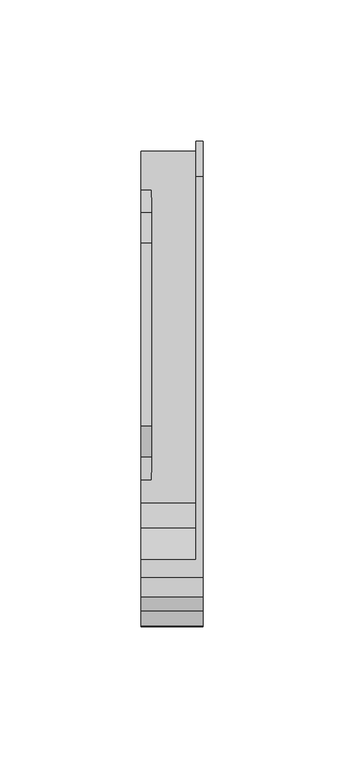
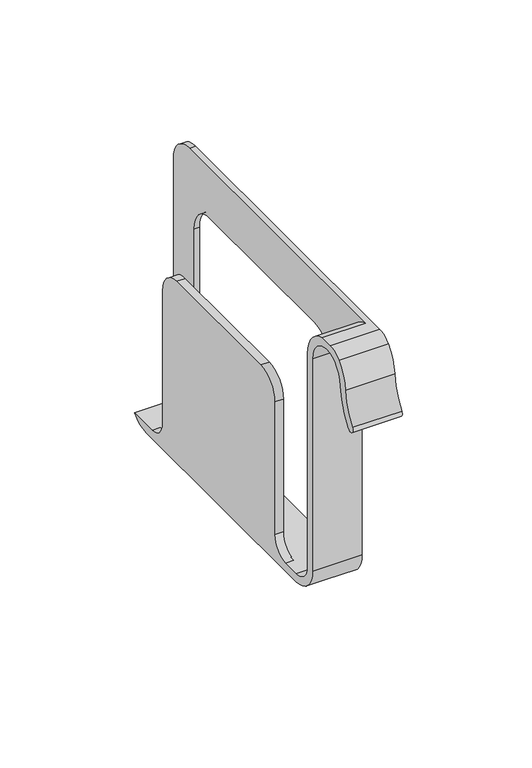
"""IFC4 building model written with IfcOpenShell, lengths in millimetres: furniture geometry."""

from ifc_helpers import new_model, si_unit, frame, origin, place, context, project, spatial, polyline, circle_curve, source, transform, mapped, element, save
from ifc_brep_helpers import plane_surface, cylinder_surface, revolved_surface, advanced_brep


def furniture_56dd7ac2(model_context):
    return source(origin(), model_context, "Body", "AdvancedBrep", [
        advanced_brep(
        [(21.9964, -154.6110809, 1098.5754), (21.9964, -161.4179468, 1095.7395591), (21.9964, -166.348011, 1084.6972927), (21.9964, -171.757145, 1070.4565716), (21.9964, -168.676332, 1068.2149894), (21.9964, -162.5550329, 1084.3374428), (21.9964, -158.3446231, 1093.4427327), (21.9964, -141.0551118, 1084.0894625), (21.9964, -141.0551118, 984.2754), (21.9964, -128.3551118, 971.5754), (21.9964, -12.7, 971.5754), (21.9964, 0.0, 984.2754), (21.9964, 0.0, 1085.8754), (21.9964, -12.7, 1098.5754), (21.9964, -15.6072642, 975.3854), (21.9964, -121.0305388, 975.3854), (21.9964, -121.0305388, 1062.2082191), (21.9964, -108.3305388, 1074.9082191), (21.9964, -28.3072642, 1074.9082191), (21.9964, -15.6072642, 1062.2082191), (0.0, -12.7, 971.5754), (0.0, -128.3551118, 971.5754), (0.0, -141.0551118, 984.2754), (0.0, -141.0551118, 1084.0894625), (0.0, -158.3446231, 1093.4427327), (0.0, -162.5550329, 1084.3374428), (0.0, -168.676332, 1068.2149894), (0.0, -171.757145, 1070.4565716), (0.0, -166.348011, 1084.6972927), (0.0, -161.4179468, 1095.7395591), (0.0, -154.6110809, 1098.5754), (0.0, -148.3958485, 1098.5754), (0.0, -137.2451118, 1084.0894625), (0.0, -137.2451118, 984.2754), (0.0, -128.3551118, 975.3854), (0.0, -120.1001118, 975.3854), (0.0, -111.8451118, 983.6404), (0.0, -111.8451118, 1046.1352859), (0.0, -101.0355977, 1056.9448), (0.0, -36.2095141, 1056.9448), (0.0, -25.4, 1046.1352859), (0.0, -25.4, 983.6404), (0.0, -17.145, 975.3854), (0.0, -3.6303859, 975.3854), (19.4762622, 0.0, 984.2754), (19.4762622, 0.0, 1085.8754), (19.4762622, -12.7, 1098.5754), (19.4762622, -148.3958485, 1098.5754), (19.4762622, -3.6303859, 975.3854), (19.4762622, -137.2451118, 984.2754), (19.4762622, -137.2451118, 1084.0894625), (19.4762622, -15.6072642, 975.3854), (19.4762622, -15.6072642, 1062.2082191), (19.4762622, -28.3072642, 1074.9082191), (19.4762622, -108.3305388, 1074.9082191), (19.4762622, -121.0305388, 1062.2082191), (19.4762622, -121.0305388, 975.3854), (19.4762622, -128.3551118, 975.3854), (3.8504817, -17.145, 975.3854), (3.8504817, -120.1001118, 975.3854), (3.8504817, -111.8451118, 983.6404), (3.8504817, -111.8451118, 1046.1352859), (3.8504817, -101.0355977, 1056.9448), (3.8504817, -36.2095141, 1056.9448), (3.8504817, -25.4, 1046.1352859), (3.8504817, -25.4, 983.6404)],
        [
            (0, 1, circle_curve(frame((21.9964, -154.6110809, 1088.9882231), z_axis=(1.0, 0.0, 0.0), x_axis=(0.0, 1.0, 0.0)), 9.5871769)),
            (1, 2, circle_curve(frame((21.9964, -147.6236522, 1082.9590897), z_axis=(1.0, 0.0, 0.0), x_axis=(0.0, 1.0, 0.0)), 18.8048653)),
            (2, 3, circle_curve(frame((21.9964, -195.1861849, 1087.5034086), z_axis=(-1.0, 0.0, 0.0), x_axis=(0.0, 1.0, 0.0)), 28.9743777)),
            (3, 4, circle_curve(frame((21.9964, -170.2167385, 1069.3357805), z_axis=(1.0, 0.0, 0.0), x_axis=(0.0, 1.0, 0.0)), 1.905)),
            (4, 5, circle_curve(frame((21.9964, -195.1861849, 1087.5034086), z_axis=(1.0, 0.0, 0.0), x_axis=(0.0, 1.0, 0.0)), 32.7843777)),
            (5, 6, circle_curve(frame((21.9964, -147.6236522, 1082.9590897), z_axis=(-1.0, 0.0, 0.0), x_axis=(0.0, 1.0, 0.0)), 14.9948653)),
            (6, 7, circle_curve(frame((21.9964, -152.2298309, 1084.0894625), z_axis=(-1.0, 0.0, 0.0), x_axis=(0.0, 1.0, 0.0)), 11.1747191)),
            (7, 8),
            (8, 9, circle_curve(frame((21.9964, -128.3551118, 984.2754), z_axis=(1.0, 0.0, 0.0), x_axis=(0.0, 1.0, 0.0)), 12.7)),
            (9, 10),
            (10, 11, circle_curve(frame((21.9964, -12.7, 984.2754), z_axis=(1.0, 0.0, 0.0), x_axis=(0.0, 1.0, 0.0)), 12.7)),
            (11, 12),
            (12, 13, circle_curve(frame((21.9964, -12.7, 1085.8754), z_axis=(1.0, 0.0, 0.0), x_axis=(0.0, 1.0, 0.0)), 12.7)),
            (13, 0),
            (14, 15),
            (15, 16),
            (16, 17, circle_curve(frame((21.9964, -108.3305388, 1062.2082191), z_axis=(-1.0, 0.0, 0.0), x_axis=(0.0, 1.0, 0.0)), 12.7)),
            (17, 18),
            (18, 19, circle_curve(frame((21.9964, -28.3072642, 1062.2082191), z_axis=(-1.0, 0.0, 0.0), x_axis=(0.0, 1.0, 0.0)), 12.7)),
            (19, 14),
            (20, 21),
            (21, 22, circle_curve(frame((0.0, -128.3551118, 984.2754), z_axis=(-1.0, 0.0, 0.0), x_axis=(0.0, 1.0, 0.0)), 12.7)),
            (22, 23),
            (23, 24, circle_curve(frame((0.0, -152.2298309, 1084.0894625), z_axis=(1.0, 0.0, 0.0), x_axis=(0.0, 1.0, 0.0)), 11.1747191)),
            (24, 25, circle_curve(frame((0.0, -147.6236522, 1082.9590897), z_axis=(1.0, 0.0, 0.0), x_axis=(0.0, 1.0, 0.0)), 14.9948653)),
            (25, 26, circle_curve(frame((0.0, -195.1861849, 1087.5034086), z_axis=(-1.0, 0.0, 0.0), x_axis=(0.0, 1.0, 0.0)), 32.7843777)),
            (26, 27, circle_curve(frame((0.0, -170.2167385, 1069.3357805), z_axis=(-1.0, 0.0, 0.0), x_axis=(0.0, 1.0, 0.0)), 1.905)),
            (27, 28, circle_curve(frame((0.0, -195.1861849, 1087.5034086), z_axis=(1.0, 0.0, 0.0), x_axis=(0.0, 1.0, 0.0)), 28.9743777)),
            (28, 29, circle_curve(frame((0.0, -147.6236522, 1082.9590897), z_axis=(-1.0, 0.0, 0.0), x_axis=(0.0, 1.0, 0.0)), 18.8048653)),
            (29, 30, circle_curve(frame((0.0, -154.6110809, 1088.9882231), z_axis=(-1.0, 0.0, 0.0), x_axis=(0.0, 1.0, 0.0)), 9.5871769)),
            (30, 31),
            (31, 32, circle_curve(frame((0.0, -152.2298309, 1084.0894625), z_axis=(-1.0, 0.0, 0.0), x_axis=(0.0, 1.0, 0.0)), 14.9847191)),
            (32, 33),
            (33, 34, circle_curve(frame((0.0, -128.3551118, 984.2754), z_axis=(1.0, 0.0, 0.0), x_axis=(0.0, 1.0, 0.0)), 8.89)),
            (34, 35),
            (35, 36, circle_curve(frame((0.0, -120.1001118, 983.6404), z_axis=(1.0, 0.0, 0.0), x_axis=(0.0, 1.0, 0.0)), 8.255)),
            (36, 37),
            (37, 38, circle_curve(frame((0.0, -101.0355977, 1046.1352859), z_axis=(-1.0, 0.0, 0.0), x_axis=(0.0, 1.0, 0.0)), 10.8095141)),
            (38, 39),
            (39, 40, circle_curve(frame((0.0, -36.2095141, 1046.1352859), z_axis=(-1.0, 0.0, 0.0), x_axis=(0.0, 1.0, 0.0)), 10.8095141)),
            (40, 41),
            (41, 42, circle_curve(frame((0.0, -17.145, 983.6404), z_axis=(1.0, 0.0, 0.0), x_axis=(0.0, 1.0, 0.0)), 8.255)),
            (42, 43),
            (43, 20, circle_curve(frame((0.0, -12.7, 984.2754), z_axis=(-1.0, 0.0, 0.0), x_axis=(0.0, 1.0, 0.0)), 12.7)),
            (9, 21),
            (20, 10),
            (11, 44),
            (44, 45),
            (45, 12),
            (13, 46),
            (46, 47),
            (47, 31),
            (30, 0),
            (43, 48),
            (48, 44, circle_curve(frame((19.4762622, -12.7, 984.2754), z_axis=(1.0, 0.0, 0.0), x_axis=(0.0, 1.0, 0.0)), 12.7)),
            (45, 46, circle_curve(frame((19.4762622, -12.7, 1085.8754), z_axis=(1.0, 0.0, 0.0), x_axis=(0.0, 1.0, 0.0)), 12.7)),
            (29, 1),
            (28, 2),
            (27, 3),
            (26, 4),
            (25, 5),
            (24, 6),
            (23, 7),
            (22, 8),
            (49, 50),
            (50, 47, circle_curve(frame((19.4762622, -152.2298309, 1084.0894625), z_axis=(1.0, 0.0, 0.0), x_axis=(0.0, 1.0, 0.0)), 14.9847191)),
            (48, 51),
            (51, 52),
            (52, 53, circle_curve(frame((19.4762622, -28.3072642, 1062.2082191), z_axis=(1.0, 0.0, 0.0), x_axis=(0.0, 1.0, 0.0)), 12.7)),
            (53, 54),
            (54, 55, circle_curve(frame((19.4762622, -108.3305388, 1062.2082191), z_axis=(1.0, 0.0, 0.0), x_axis=(0.0, 1.0, 0.0)), 12.7)),
            (55, 56),
            (56, 57),
            (57, 49, circle_curve(frame((19.4762622, -128.3551118, 984.2754), z_axis=(-1.0, 0.0, 0.0), x_axis=(0.0, 1.0, 0.0)), 8.89)),
            (57, 34),
            (33, 49),
            (56, 15),
            (14, 51),
            (42, 58),
            (58, 59),
            (59, 35),
            (59, 60, circle_curve(frame((3.8504817, -120.1001118, 983.6404), z_axis=(1.0, 0.0, 0.0), x_axis=(0.0, 1.0, 0.0)), 8.255)),
            (60, 36),
            (60, 61),
            (61, 37),
            (61, 62, circle_curve(frame((3.8504817, -101.0355977, 1046.1352859), z_axis=(-1.0, 0.0, 0.0), x_axis=(0.0, 1.0, 0.0)), 10.8095141)),
            (62, 38),
            (62, 63),
            (63, 39),
            (63, 64, circle_curve(frame((3.8504817, -36.2095141, 1046.1352859), z_axis=(-1.0, 0.0, 0.0), x_axis=(0.0, 1.0, 0.0)), 10.8095141)),
            (64, 40),
            (64, 65),
            (65, 41),
            (65, 58, circle_curve(frame((3.8504817, -17.145, 983.6404), z_axis=(1.0, 0.0, 0.0), x_axis=(0.0, 1.0, 0.0)), 8.255)),
            (50, 32),
            (53, 18),
            (17, 54),
            (16, 55),
            (19, 52),
        ],
        [
            plane_surface(frame((21.9964, -145.023904, 1088.9882231), z_axis=(1.0, 0.0, 0.0), x_axis=(0.0, 0.0, 1.0))),
            plane_surface(frame((0.0, -145.023904, 1088.9882231), z_axis=(-1.0, 0.0, 0.0), x_axis=(0.0, 0.0, -1.0))),
            plane_surface(frame((21.9964, -128.3551118, 971.5754), z_axis=(0.0, 0.0, -1.0), x_axis=(-1.0, 0.0, 0.0))),
            plane_surface(frame((21.9964, 0.0, 984.2754), z_axis=(0.0, 1.0, 0.0), x_axis=(-1.0, 0.0, 0.0))),
            plane_surface(frame((21.9964, -12.7, 1098.5754), z_axis=(0.0, 0.0, 1.0), x_axis=(-1.0, 0.0, 0.0))),
            cylinder_surface(frame((0.0, -12.7, 984.2754), z_axis=(1.0, 0.0, 0.0), x_axis=(0.0, 1.0, 0.0)), 12.7),
            cylinder_surface(frame((0.0, -12.7, 1085.8754), z_axis=(1.0, 0.0, 0.0), x_axis=(0.0, 1.0, 0.0)), 12.7),
            cylinder_surface(frame((0.0, -154.6110809, 1088.9882231), z_axis=(1.0, 0.0, 0.0), x_axis=(0.0, 1.0, 0.0)), 9.5871769),
            cylinder_surface(frame((0.0, -147.6236522, 1082.9590897), z_axis=(1.0, 0.0, 0.0), x_axis=(0.0, 1.0, 0.0)), 18.8048653),
            revolved_surface(polyline([(0.0, -166.2118072, 1087.5034086), (21.9964, -166.2118072, 1087.5034086)]), (0.0, -195.1861849, 1087.5034086), (-1.0, 0.0, 0.0)),
            cylinder_surface(frame((0.0, -170.2167385, 1069.3357805), z_axis=(1.0, 0.0, 0.0), x_axis=(0.0, 1.0, 0.0)), 1.905),
            cylinder_surface(frame((0.0, -195.1861849, 1087.5034086), z_axis=(1.0, 0.0, 0.0), x_axis=(0.0, 1.0, 0.0)), 32.7843777),
            revolved_surface(polyline([(0.0, -132.62878690000002, 1082.9590897), (21.9964, -132.62878690000002, 1082.9590897)]), (0.0, -147.6236522, 1082.9590897), (-1.0, 0.0, 0.0)),
            revolved_surface(polyline([(0.0, -141.0551118, 1084.0894625), (21.9964, -141.0551118, 1084.0894625)]), (0.0, -152.2298309, 1084.0894625), (-1.0, 0.0, 0.0)),
            plane_surface(frame((21.9964, -141.0551118, 1084.0894625), z_axis=(0.0, -1.0, 0.0), x_axis=(-1.0, 0.0, 0.0))),
            cylinder_surface(frame((0.0, -128.3551118, 984.2754), z_axis=(1.0, 0.0, 0.0), x_axis=(0.0, 1.0, 0.0)), 12.7),
            plane_surface(frame((19.4762622, -119.4651118, 984.2754), z_axis=(-1.0, 0.0, 0.0), x_axis=(0.0, 0.0, 1.0))),
            revolved_surface(polyline([(19.4762622, -119.4651118, 984.2754), (0.0, -119.4651118, 984.2754)]), (-8.2097706, -128.3551118, 984.2754), (1.0, 0.0, 0.0)),
            plane_surface(frame((19.4762622, -128.3551118, 975.3854), z_axis=(0.0, 0.0, 1.0), x_axis=(-1.0, 0.0, 0.0))),
            revolved_surface(polyline([(3.8504816999999996, -111.8451118, 983.6404), (0.0, -111.8451118, 983.6404)]), (-8.2097706, -120.1001118, 983.6404), (1.0, 0.0, 0.0)),
            plane_surface(frame((19.4762622, -111.8451118, 983.6404), z_axis=(0.0, -1.0, 0.0), x_axis=(-1.0, 0.0, 0.0))),
            cylinder_surface(frame((-8.2097706, -101.0355977, 1046.1352859), z_axis=(-1.0, 0.0, 0.0), x_axis=(0.0, 1.0, 0.0)), 10.8095141),
            plane_surface(frame((19.4762622, -101.0355977, 1056.9448), z_axis=(0.0, 0.0, 1.0), x_axis=(-1.0, 0.0, 0.0))),
            cylinder_surface(frame((-8.2097706, -36.2095141, 1046.1352859), z_axis=(-1.0, 0.0, 0.0), x_axis=(0.0, 1.0, 0.0)), 10.8095141),
            plane_surface(frame((19.4762622, -25.4, 1046.1352859), z_axis=(0.0, 1.0, 0.0), x_axis=(-1.0, 0.0, 0.0))),
            revolved_surface(polyline([(3.8504816999999996, -8.889999999999999, 983.6404), (0.0, -8.889999999999999, 983.6404)]), (-8.2097706, -17.145, 983.6404), (1.0, 0.0, 0.0)),
            cylinder_surface(frame((-8.2097706, -152.2298309, 1084.0894625), z_axis=(-1.0, 0.0, 0.0), x_axis=(0.0, 1.0, 0.0)), 14.9847191),
            plane_surface(frame((19.4762622, -137.2451118, 1084.0894625), z_axis=(0.0, 1.0, 0.0), x_axis=(-1.0, 0.0, 0.0))),
            plane_surface(frame((3.8504817, -101.0355977, 1056.9448), z_axis=(1.0, 0.0, 0.0), x_axis=(0.0, 1.0, 0.0))),
            plane_surface(frame((106.5257828, -28.3072642, 1074.9082191), z_axis=(0.0, 0.0, -1.0), x_axis=(-1.0, 0.0, 0.0))),
            revolved_surface(polyline([(21.9964, -95.6305388, 1062.2082191), (19.4762622, -95.6305388, 1062.2082191)]), (8.0232908, -108.3305388, 1062.2082191), (1.0, 0.0, 0.0)),
            plane_surface(frame((106.5257828, -121.0305388, 1062.2082191), z_axis=(0.0, 1.0, 0.0), x_axis=(-1.0, 0.0, 0.0))),
            plane_surface(frame((106.5257828, -15.6072642, 975.3854), z_axis=(0.0, -1.0, 0.0), x_axis=(-1.0, 0.0, 0.0))),
            revolved_surface(polyline([(21.9964, -15.6072642, 1062.2082191), (19.4762622, -15.6072642, 1062.2082191)]), (8.0232908, -28.3072642, 1062.2082191), (1.0, 0.0, 0.0)),
        ],
        [
            (0, [[1, 2, 3, 4, 5, 6, 7, 8, 9, 10, 11, 12, 13, 14], [15, 16, 17, 18, 19, 20]]),
            (1, [[21, 22, 23, 24, 25, 26, 27, 28, 29, 30, 31, 32, 33, 34, 35, 36, 37, 38, 39, 40, 41, 42, 43, 44]]),
            (2, [[-10, 45, -21, 46]]),
            (3, [[-12, 47, 48, 49]]),
            (4, [[-14, 50, 51, 52, -31, 53]]),
            (5, [[-11, -46, -44, 54, 55, -47]]),
            (6, [[-13, -49, 56, -50]]),
            (7, [[-1, -53, -30, 57]]),
            (8, [[-2, -57, -29, 58]]),
            (9, [[-3, -58, -28, 59]]),
            (10, [[-4, -59, -27, 60]]),
            (11, [[-5, -60, -26, 61]]),
            (12, [[-6, -61, -25, 62]]),
            (13, [[-7, -62, -24, 63]]),
            (14, [[-8, -63, -23, 64]]),
            (15, [[-9, -64, -22, -45]]),
            (16, [[65, 66, -51, -56, -48, -55, 67, 68, 69, 70, 71, 72, 73, 74]]),
            (17, [[-74, 75, -34, 76]]),
            (18, [[-75, -73, 77, -15, 78, -67, -54, -43, 79, 80, 81, -35]]),
            (19, [[-36, -81, 82, 83]]),
            (20, [[-37, -83, 84, 85]]),
            (21, [[-38, -85, 86, 87]]),
            (22, [[-39, -87, 88, 89]]),
            (23, [[-40, -89, 90, 91]]),
            (24, [[-41, -91, 92, 93]]),
            (25, [[-42, -93, 94, -79]]),
            (26, [[-66, 95, -32, -52]]),
            (27, [[-65, -76, -33, -95]]),
            (28, [[-80, -94, -92, -90, -88, -86, -84, -82]]),
            (29, [[96, -18, 97, -70]]),
            (30, [[-97, -17, 98, -71]]),
            (31, [[-98, -16, -77, -72]]),
            (32, [[-78, -20, 99, -68]]),
            (33, [[-96, -69, -99, -19]]),
        ],
    ),
    ])


if __name__ == "__main__":
    model = new_model("IFC4")
    model_context = context("Model", 3, world=origin())
    ifc_project = project(units=[si_unit("LENGTHUNIT", "METRE", prefix="MILLI")], contexts=[model_context])
    site = spatial("IfcSite", under=ifc_project)
    building = spatial("IfcBuilding", under=site)
    placement = place(None, origin())
    furniture_shape = furniture_56dd7ac2(model_context)
    element("IfcFurniture", 1, at=placement, inside=building, context=model_context, shape_type="MappedRepresentation", body=[
        mapped(furniture_shape, transform((0.0, 0.0, 0.0), x_axis=(1.0, 0.0, 0.0), y_axis=(0.0, 1.0, 0.0), z_axis=(0.0, 0.0, 1.0))),
    ])
    save(model, "model.ifc")
